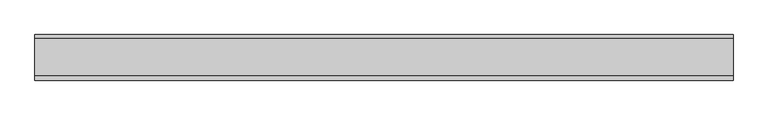
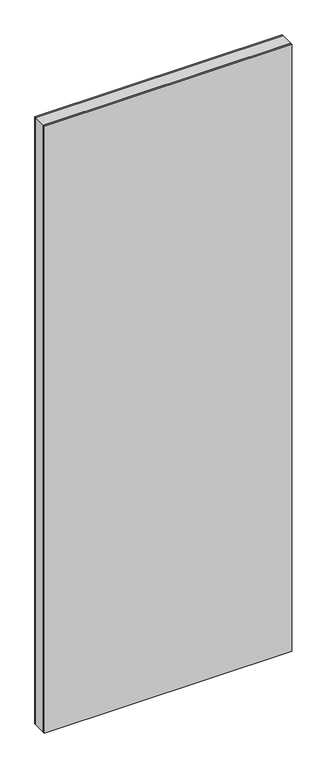
"""IFC4 building model written with IfcOpenShell, lengths in millimetres: plate geometry."""

from ifc_helpers import new_model, si_unit, frame, origin, origin_with_axes, place, context, project, spatial, polyline, outline, extrude, source, transform, mapped, element, save


def plate_bad553ae(model_context):
    return source(origin(), model_context, "Body", "SweptSolid", [
        extrude(outline(polyline([(2936.0, -566.1428573), (0.0, -566.1428573), (0.0, 566.1428573), (2936.0, 566.1428573), (2936.0, -566.1428573)]), holes=[polyline([(2935.0, -565.1428573), (2935.0, 565.1428573), (1.0, 565.1428573), (1.0, -565.1428573), (2935.0, -565.1428573)])]), frame((0.0, -29.2, 0.0), z_axis=(0.0, 1.0, 0.0), x_axis=(0.0, 0.0, 1.0)), (0.0, 0.0, 1.0), 60.4),
        extrude(outline(polyline([(566.1428573, 31.2), (-566.1428573, 31.2), (-566.1428573, 37.2), (566.1428573, 37.2), (566.1428573, 31.2)])), origin_with_axes(), (0.0, 0.0, 1.0), 2936.0),
        extrude(outline(polyline([(-566.1428573, -37.2), (-566.1428573, -29.2), (566.1428573, -29.2), (566.1428573, -37.2), (-566.1428573, -37.2)])), origin_with_axes(), (0.0, 0.0, 1.0), 2936.0),
    ])


if __name__ == "__main__":
    model = new_model("IFC4")
    model_context = context("Model", 3, world=origin())
    ifc_project = project(units=[si_unit("LENGTHUNIT", "METRE", prefix="MILLI")], contexts=[model_context])
    site = spatial("IfcSite", under=ifc_project)
    building = spatial("IfcBuilding", under=site)
    placement = place(None, origin())
    plate_shape = plate_bad553ae(model_context)
    element("IfcPlate", 1, at=placement, inside=building, context=model_context, shape_type="MappedRepresentation", body=[
        mapped(plate_shape, transform((0.0, 0.0, 0.0), x_axis=(1.0, 0.0, 0.0), y_axis=(0.0, 1.0, 0.0), z_axis=(0.0, 0.0, 1.0))),
    ])
    save(model, "model.ifc")
